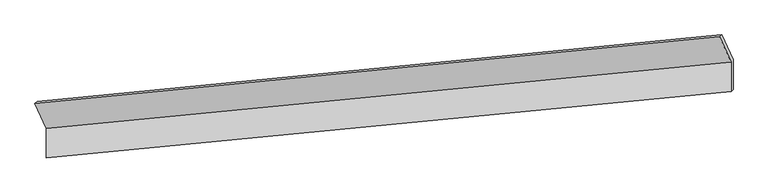
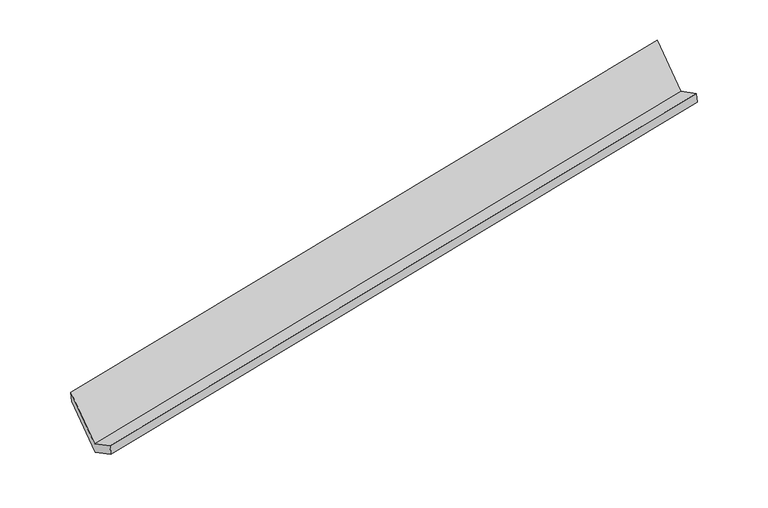
"""IFC4 building model written with IfcOpenShell, lengths in millimetres: proxy geometry."""

from ifc_helpers import new_model, si_unit, origin, place, context, project, spatial, faceted_brep, source, transform, mapped, element, save


def generic_models_ff91d78a(model_context):
    return source(origin(), model_context, "Body", "Brep", [
        faceted_brep([(-7481.5006744, -1953.8029813, 829.5089938), (-7481.4658666, -2356.348628, 1038.3119434), (1835.4988413, -1448.9819445, 2818.6237912), (1835.4640335, -1046.4362978, 2609.8208416), (-7454.1215528, -2329.7419992, 877.2762529), (1862.843155, -1422.3753157, 2657.5881007), (-7454.1567665, -1922.5029762, 666.0388196), (1862.8079414, -1015.1362927, 2446.3506674), (-7608.3522791, -1583.2506724, 1320.1000074), (1708.6124287, -675.8839889, 3100.4118552), (-7637.4125652, -1610.7743986, 1490.8506553), (1679.5521426, -703.4077151, 3271.1625031)], [[[0, 1, 2, 3]], [[1, 4, 5, 2]], [[4, 6, 7, 5]], [[6, 8, 9, 7]], [[8, 10, 11, 9]], [[10, 0, 3, 11]], [[9, 11, 3, 2, 5, 7]], [[0, 10, 8, 6, 4, 1]]]),
    ])


if __name__ == "__main__":
    model = new_model("IFC4")
    model_context = context("Model", 3, world=origin())
    ifc_project = project(units=[si_unit("LENGTHUNIT", "METRE", prefix="MILLI")], contexts=[model_context])
    site = spatial("IfcSite", under=ifc_project)
    building = spatial("IfcBuilding", under=site)
    placement = place(None, origin())
    generic_models_shape = generic_models_ff91d78a(model_context)
    element("IfcBuildingElementProxy", 1, Name="Generic Models", at=placement, inside=building, context=model_context, shape_type="MappedRepresentation", body=[
        mapped(generic_models_shape, transform((0.0, 0.0, 0.0), x_axis=(1.0, 0.0, 0.0), y_axis=(0.0, 1.0, 0.0), z_axis=(0.0, 0.0, 1.0))),
    ])
    save(model, "model.ifc")
